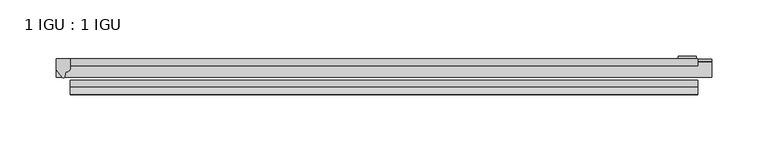
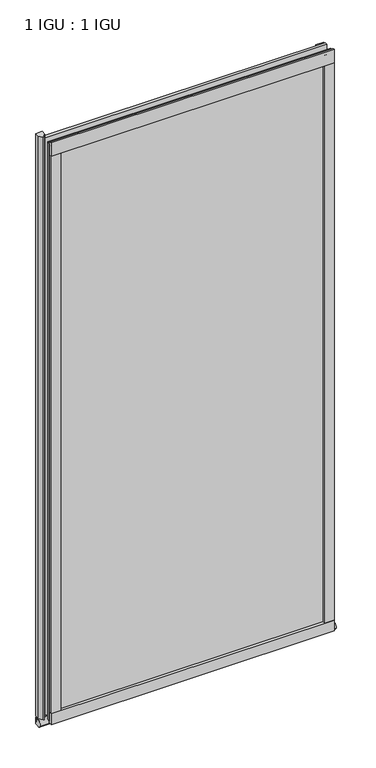
"""IFC4 building model written with IfcOpenShell, lengths in millimetres: plate geometry, 1 IGU : 1 IGU."""

import ifcopenshell
import ifcopenshell.guid

model = None  # the IFC model being written
_history = None  # IfcOwnerHistory: only IFC2X3 demands one
_inside = {}  # id of a spatial element -> (the spatial element, [elements in it])
_under = {}  # id of a project, library or spatial element -> (it, [spatial elements below it])
_declared = {}  # id of a project -> (the project, [libraries it declares])
_typed = {}  # id of a type object -> (the type object, [elements of that type])
_made_of = {}  # id of a material, layer set ... -> (it, [elements and type objects made of it])


def new_model(schema):
    """Start an empty IFC model of exactly this schema.

    Asked for "IFC4X3", IfcOpenShell would pick the latest addendum, in which some entities
    have other attributes; the version numbers below select the first issue.
    IFC2X3 requires an IfcOwnerHistory on every rooted entity: one is made here for all.
    """
    global model, _history
    if schema == "IFC4X3":
        model = ifcopenshell.file(schema_version=(4, 3, 0, 0))
    else:
        model = ifcopenshell.file(schema=schema)
    _inside.clear()
    _under.clear()
    _declared.clear()
    _typed.clear()
    _made_of.clear()
    _history = None
    if model.schema == "IFC2X3":
        org = make("IfcOrganization", Name="unknown")
        user = make(
            "IfcPersonAndOrganization",
            ThePerson=make("IfcPerson", FamilyName="unknown"),
            TheOrganization=org,
        )
        app = make(
            "IfcApplication",
            ApplicationDeveloper=org,
            Version="unknown",
            ApplicationFullName="unknown",
            ApplicationIdentifier="unknown",
        )
        _history = make(
            "IfcOwnerHistory",
            OwningUser=user,
            OwningApplication=app,
            ChangeAction="ADDED",
            CreationDate=0,
        )
    return model


def make(cls, **values):
    """One entity of the class cls with the attributes given. An attribute that is None is left unset."""
    return model.create_entity(
        cls, **{name: value for name, value in values.items() if value is not None}
    )


def rooted(cls, **values):
    """An entity with a GlobalId (a new one), such as an element, a storey or a relation."""
    return make(cls, GlobalId=ifcopenshell.guid.new(), OwnerHistory=_history, **values)


def si_unit(unit_type, name, prefix=None):
    """IfcSIUnit, for example si_unit("LENGTHUNIT", "METRE", prefix="MILLI")."""
    return make("IfcSIUnit", UnitType=unit_type, Prefix=prefix, Name=name)


def assignment(units):
    """IfcUnitAssignment: the units of a project."""
    return None if units is None else make("IfcUnitAssignment", Units=units)


def point(xyz):
    """IfcCartesianPoint."""
    return None if xyz is None else make("IfcCartesianPoint", Coordinates=xyz)


def direction(xyz):
    """IfcDirection."""
    return None if xyz is None else make("IfcDirection", DirectionRatios=xyz)


def frame(location, z_axis=None, x_axis=None):
    """IfcAxis2Placement3D, a coordinate frame: its origin and axes. An axis left out is left unset."""
    return make(
        "IfcAxis2Placement3D",
        Location=point(location),
        Axis=direction(z_axis),
        RefDirection=direction(x_axis),
    )


def frame_2d(location, x_axis=None):
    """IfcAxis2Placement2D, a coordinate frame in the plane: its origin and x axis."""
    return make(
        "IfcAxis2Placement2D", Location=point(location), RefDirection=direction(x_axis)
    )


def origin():
    """The frame at (0, 0, 0) with its axes left unset."""
    return frame((0.0, 0.0, 0.0))


def place(relative_to, where):
    """IfcLocalPlacement: puts the frame where relative to a parent placement (None: the world)."""
    return make(
        "IfcLocalPlacement", PlacementRelTo=relative_to, RelativePlacement=where
    )


def context(
    kind, dimensions, precision=None, world=None, true_north=None, identifier=None
):
    """IfcGeometricRepresentationContext, for example the 3D "Model" context."""
    return make(
        "IfcGeometricRepresentationContext",
        ContextIdentifier=identifier,
        ContextType=kind,
        CoordinateSpaceDimension=dimensions,
        Precision=precision,
        WorldCoordinateSystem=world,
        TrueNorth=true_north,
    )


def project(units=None, contexts=None):
    """IfcProject with its units and contexts."""
    return rooted(
        "IfcProject",
        Name="project",
        RepresentationContexts=contexts,
        UnitsInContext=assignment(units),
    )


def spatial(cls, under=None, at=None, **own):
    """A site, building, storey or space (cls), placed at a placement, below another one or the project."""
    s = rooted(cls, ObjectPlacement=at, **own)
    if under is not None:
        _under.setdefault(under.id(), (under, []))[1].append(s)
    return s


def polyline(points):
    """IfcPolyline through the points."""
    return make("IfcPolyline", Points=[point(p) for p in points])


def circle_curve(where, radius):
    """IfcCircle in the frame where."""
    return make("IfcCircle", Position=where, Radius=radius)


def ellipse_curve(where, semi_axis1, semi_axis2):
    """IfcEllipse in the frame where."""
    return make(
        "IfcEllipse", Position=where, SemiAxis1=semi_axis1, SemiAxis2=semi_axis2
    )


def trimmed(basis, trim1, trim2, sense, master):
    """IfcTrimmedCurve: the piece of a basis curve between two trims."""
    return make(
        "IfcTrimmedCurve",
        BasisCurve=basis,
        Trim1=trim1,
        Trim2=trim2,
        SenseAgreement=sense,
        MasterRepresentation=master,
    )


def segment(curve, same_sense, transition):
    """IfcCompositeCurveSegment."""
    return make(
        "IfcCompositeCurveSegment",
        Transition=transition,
        SameSense=same_sense,
        ParentCurve=curve,
    )


def composite_curve(segments, self_intersect=None):
    """IfcCompositeCurve: segments joined end to end."""
    return make("IfcCompositeCurve", Segments=segments, SelfIntersect=self_intersect)


def outline(outer, holes=None, kind="AREA"):
    """IfcArbitraryClosedProfileDef: a profile drawn as a closed curve; with holes, ...WithVoids."""
    if holes is None:
        return make("IfcArbitraryClosedProfileDef", ProfileType=kind, OuterCurve=outer)
    return make(
        "IfcArbitraryProfileDefWithVoids",
        ProfileType=kind,
        OuterCurve=outer,
        InnerCurves=holes,
    )


def extrude(swept, where, along, depth):
    """IfcExtrudedAreaSolid: the profile swept, set in the frame where, extruded along a direction by depth."""
    return make(
        "IfcExtrudedAreaSolid",
        SweptArea=swept,
        Position=where,
        ExtrudedDirection=direction(along),
        Depth=depth,
    )


def shape(context_of_items, identifier, shape_type, items):
    """IfcShapeRepresentation: the items that make up one representation, for example the "Body"."""
    return make(
        "IfcShapeRepresentation",
        ContextOfItems=context_of_items,
        RepresentationIdentifier=identifier,
        RepresentationType=shape_type,
        Items=items,
    )


def source(mapping_origin, context_of_items, identifier, shape_type, items):
    """IfcRepresentationMap: a shape defined once, which mapped items show again and again."""
    return make(
        "IfcRepresentationMap",
        MappingOrigin=mapping_origin,
        MappedRepresentation=shape(context_of_items, identifier, shape_type, items),
    )


def transform(
    local_origin,
    x_axis=None,
    y_axis=None,
    z_axis=None,
    scale=None,
    scale2=None,
    scale3=None,
    uniform=True,
):
    """IfcCartesianTransformationOperator3D, or its non-uniform kind. x_axis, y_axis, z_axis: its Axis1, 2, 3."""
    if uniform:
        return make(
            "IfcCartesianTransformationOperator3D",
            Axis1=direction(x_axis),
            Axis2=direction(y_axis),
            LocalOrigin=point(local_origin),
            Scale=scale,
            Axis3=direction(z_axis),
        )
    return make(
        "IfcCartesianTransformationOperator3DnonUniform",
        Axis1=direction(x_axis),
        Axis2=direction(y_axis),
        LocalOrigin=point(local_origin),
        Scale=scale,
        Axis3=direction(z_axis),
        Scale2=scale2,
        Scale3=scale3,
    )


def mapped(mapping_source, mapping_target):
    """IfcMappedItem: shows the shape of a source again, moved by a transform."""
    return make(
        "IfcMappedItem", MappingSource=mapping_source, MappingTarget=mapping_target
    )


def made_of(thing, what):
    """Note that an element or type object is made of a material, layer set ...; save() writes the relation."""
    if what is not None:
        _made_of.setdefault(what.id(), (what, []))[1].append(thing)
    return thing


def element(
    cls,
    number,
    at=None,
    inside=None,
    cuts=None,
    type_object=None,
    material=None,
    context=None,
    identifier="Body",
    shape_type=None,
    held_by="IfcProductDefinitionShape",
    body=None,
    shapes=None,
    **own,
):
    """One element of the class cls, such as IfcWall. Its Tag is "e" and its number.

    at: its placement. inside: the storey or other place that contains it. cuts: it is an
    opening in that element (IfcRelVoidsElement). A single representation is given by context,
    identifier, shape_type and body (its items); several are given by shapes. held_by: the class
    of the entity that holds the representations. save() writes the other relations.
    """
    e = rooted(cls, Tag="e%d" % number, ObjectPlacement=at, **own)
    if body is not None:
        shapes = [shape(context, identifier, shape_type, body)]
    if shapes is not None:
        e.Representation = make(held_by, Representations=shapes)
    if inside is not None:
        _inside.setdefault(inside.id(), (inside, []))[1].append(e)
    if cuts is not None:
        rooted(
            "IfcRelVoidsElement", RelatingBuildingElement=cuts, RelatedOpeningElement=e
        )
    if type_object is not None:
        _typed.setdefault(type_object.id(), (type_object, []))[1].append(e)
    return made_of(e, material)


def aggregate(whole, parts):
    """IfcRelAggregates: a whole, such as a stair, and the parts it consists of."""
    return rooted("IfcRelAggregates", RelatingObject=whole, RelatedObjects=parts)


def save(model, path):
    """Write the relations noted so far, then the file.

    IfcRelAggregates (storeys below a building ...), IfcRelContainedInSpatialStructure (elements
    in a storey), IfcRelDefinesByType, IfcRelAssociatesMaterial and IfcRelDeclares: one each for
    every whole, place, type object, material and project.
    """
    for whole, parts in _under.values():
        aggregate(whole, parts)
    for where, things in _inside.values():
        rooted(
            "IfcRelContainedInSpatialStructure",
            RelatedElements=things,
            RelatingStructure=where,
        )
    for kind, things in _typed.values():
        rooted("IfcRelDefinesByType", RelatedObjects=things, RelatingType=kind)
    for what, things in _made_of.values():
        rooted("IfcRelAssociatesMaterial", RelatedObjects=things, RelatingMaterial=what)
    for by, libraries in _declared.values():
        rooted("IfcRelDeclares", RelatingContext=by, RelatedDefinitions=libraries)
    model.write(path)


def plane_surface(at):
    """IfcPlane: the flat surface through the origin of the frame at, square to its z axis."""
    return make("IfcPlane", Position=at)


def revolved_surface(curve, axis_point, axis_direction):
    """IfcSurfaceOfRevolution: the curve turned about the line through axis_point along axis_direction."""
    return make(
        "IfcSurfaceOfRevolution",
        SweptCurve=make("IfcArbitraryOpenProfileDef", ProfileType="CURVE", Curve=curve),
        AxisPosition=make("IfcAxis1Placement", Location=point(axis_point), Axis=direction(axis_direction)),
    )


def extruded_surface(curve, direction_of_extrusion, depth):
    """IfcSurfaceOfLinearExtrusion: the curve pushed along a direction by depth."""
    return make(
        "IfcSurfaceOfLinearExtrusion",
        SweptCurve=make("IfcArbitraryOpenProfileDef", ProfileType="CURVE", Curve=curve),
        ExtrudedDirection=direction(direction_of_extrusion),
        Depth=depth,
    )


def advanced_brep(points, edges, surfaces, faces):
    """IfcAdvancedBrep: a solid bounded by faces that lie on surfaces and meet in shared edges.

    An edge is (start, end): straight between two places in points (the first is 0);
    or (start, end, curve); or (start, end, curve, False) where it runs against its curve.
    A face is (place in surfaces, loops), or (place, loops, False) where it looks against
    its surface's normal. A loop lists edges by number (the first is 1), with a minus sign
    where the edge is run from its end to its start. The first loop is the outer one.
    """
    corners = [point(p) for p in points]
    vertices = [make("IfcVertexPoint", VertexGeometry=c) for c in corners]
    made = []
    for start, end, *more in edges:
        made.append(
            make(
                "IfcEdgeCurve",
                EdgeStart=vertices[start],
                EdgeEnd=vertices[end],
                EdgeGeometry=more[0] if more else make("IfcPolyline", Points=[corners[start], corners[end]]),
                SameSense=more[1] if len(more) > 1 else True,
            )
        )
    hull = []
    for where, loops, *sense in faces:
        bounds = []
        for j, loop in enumerate(loops):
            ring = [make("IfcOrientedEdge", EdgeElement=made[abs(k) - 1], Orientation=k > 0) for k in loop]
            bounds.append(
                make(
                    "IfcFaceOuterBound" if j == 0 else "IfcFaceBound",
                    Bound=make("IfcEdgeLoop", EdgeList=ring),
                    Orientation=True,
                )
            )
        hull.append(make("IfcAdvancedFace", Bounds=bounds, FaceSurface=surfaces[where], SameSense=sense[0] if sense else True))
    return make("IfcAdvancedBrep", Outer=make("IfcClosedShell", CfsFaces=hull))


def plate_1_igu_1_igu_eda463a3(model_context):
    return source(origin(), model_context, "Body", "SolidModel", [
        extrude(outline(polyline([(278.9031125, 0.0021347), (278.9031125, -6.2992), (-278.9031125, -6.2992), (-278.9031125, 0.0021347), (278.9031125, 0.0021347)])), frame((0.0, 0.0, -19.05), z_axis=(0.0, 0.0, 1.0), x_axis=(1.0, 0.0, 0.0)), (0.0, 0.0, 1.0), 1203.325),
        extrude(outline(polyline([(-278.9031125, -19.0986653), (278.9031125, -19.0986653), (278.9031125, -25.3978653), (-278.9031125, -25.3978653), (-278.9031125, -19.0986653)])), frame((0.0, 0.0, -19.05), z_axis=(0.0, 0.0, 1.0), x_axis=(1.0, 0.0, 0.0)), (0.0, 0.0, 1.0), 1203.325),
        advanced_brep(
        [(291.6031125, -2.9334208, -29.3692082), (291.6031125, -15.7658436, -30.8313288), (291.6031125, -6.7904952, -34.925), (291.6031125, 0.0, -34.925), (291.6031125, 0.0, -22.225), (291.6031125, -2.5187477, -22.225), (-291.6031125, -2.9073519, -29.3720514), (-291.6031125, -2.5187477, -22.225), (-291.6031125, 0.0, -22.225), (-291.6031125, 0.0, -34.925), (-291.6031125, -6.7904952, -34.925), (-291.6031125, -15.7658436, -30.8313288)],
        [
            (0, 1, ellipse_curve(frame((291.6031125, -9.5065066, -28.575), z_axis=(1.0, 0.0, 0.0), x_axis=(0.0, 0.0, -1.0)), 6.9638038, 6.6162554)),
            (1, 2, ellipse_curve(frame((291.6031125, -9.5065066, -28.575), z_axis=(1.0, 0.0, 0.0), x_axis=(0.0, 0.0, -1.0)), 6.9638038, 6.6162554)),
            (2, 3),
            (3, 4, circle_curve(frame((291.6031125, 24.1576838, -28.575), z_axis=(-1.0, 0.0, 0.0), x_axis=(0.0, 0.0, 1.0)), 24.9783143)),
            (4, 5),
            (5, 0, circle_curve(frame((291.6031125, -68.4358767, -22.225), z_axis=(-1.0, 0.0, 0.0), x_axis=(0.0, 0.0, 1.0)), 65.917129)),
            (6, 7, circle_curve(frame((-291.6031125, -68.4358767, -22.225), z_axis=(1.0, 0.0, 0.0), x_axis=(0.0, 0.0, 1.0)), 65.917129)),
            (7, 8),
            (8, 9, circle_curve(frame((-291.6031125, 24.1576838, -28.575), z_axis=(1.0, 0.0, 0.0), x_axis=(0.0, 0.0, 1.0)), 24.9783143)),
            (9, 10),
            (10, 11, ellipse_curve(frame((-291.6031125, -9.5065066, -28.575), z_axis=(-1.0, 0.0, 0.0), x_axis=(0.0, 0.0, -1.0)), 6.9638038, 6.6162554)),
            (11, 6, ellipse_curve(frame((-291.6031125, -9.5065066, -28.575), z_axis=(-1.0, 0.0, 0.0), x_axis=(0.0, 0.0, -1.0)), 6.9638038, 6.6162554)),
            (0, 6),
            (11, 1),
            (10, 2),
            (9, 3),
            (8, 4),
            (7, 5),
        ],
        [
            plane_surface(frame((291.6031125, 0.0, -28.575), z_axis=(1.0, 0.0, 0.0), x_axis=(0.0, 1.0, 0.0))),
            plane_surface(frame((-291.6031125, 0.0, -28.575), z_axis=(-1.0, 0.0, 0.0), x_axis=(0.0, 1.0, 0.0))),
            extruded_surface(trimmed(ellipse_curve(frame((-291.6031125, -9.5065066, -28.575), z_axis=(1.0, 0.0, 0.0), x_axis=(0.0, 0.0, -1.0)), 6.9638038, 6.6162554), [point((-291.6031125, -2.9334208, -29.3692082))], [point((-291.6031125, -15.7658436, -30.8313288))], True, "CARTESIAN"), (583.206225, 0.0, 0.0), 583.206225),
            extruded_surface(trimmed(ellipse_curve(frame((-291.6031125, -9.5065066, -28.575), z_axis=(1.0, 0.0, 0.0), x_axis=(0.0, 0.0, -1.0)), 6.9638038, 6.6162554), [point((-291.6031125, -15.7658436, -30.8313288))], [point((-291.6031125, -6.7904952, -34.925))], True, "CARTESIAN"), (583.206225, 0.0, 0.0), 583.206225),
            plane_surface(frame((291.6031125, -6.7904952, -34.925), z_axis=(0.0, 0.0, -1.0), x_axis=(-1.0, 0.0, 0.0))),
            revolved_surface(polyline([(-291.6031125, 24.1576838, -3.5966856999999983), (291.6031125, 24.1576838, -3.5966856999999983)]), (291.6031125, 24.1576838, -28.575), (-1.0, 0.0, 0.0)),
            plane_surface(frame((291.6031125, 0.0, -22.225), z_axis=(0.0, 0.0, 1.0), x_axis=(-1.0, 0.0, 0.0))),
            revolved_surface(polyline([(-291.6031125, -68.4358767, 43.692129), (291.6031125, -68.4358767, 43.692129)]), (291.6031125, -68.4358767, -22.225), (-1.0, 0.0, 0.0)),
        ],
        [
            (0, [[1, 2, 3, 4, 5, 6]]),
            (1, [[7, 8, 9, 10, 11, 12]]),
            (2, [[-1, 13, -12, 14]]),
            (3, [[-2, -14, -11, 15]]),
            (4, [[-3, -15, -10, 16]]),
            (5, [[-4, -16, -9, 17]]),
            (6, [[-5, -17, -8, 18]]),
            (7, [[-6, -18, -7, -13]]),
        ],
    ),
        extrude(outline(composite_curve([segment(polyline([(-278.9031125, 8.8e-06), (-278.9031125, -7.7683362)]), True, "CONTINUOUS"), segment(trimmed(circle_curve(frame_2d((-282.8746104, -7.7683362)), 3.9714979), [point((-278.9031125, -7.7683362))], [point((-283.0020623, -11.7377885))], False, "CARTESIAN"), True, "CONTINUOUS"), segment(polyline([(-283.0020623, -11.7377885), (-283.9820968, -16.012436)]), True, "CONTINUOUS"), segment(trimmed(circle_curve(frame_2d((-285.0833058, -15.7723555)), 1.1270758), [point((-283.9820968, -16.012436))], [point((-286.0371452, -16.372764))], False, "CARTESIAN"), True, "CONTINUOUS"), segment(polyline([(-286.0371452, -16.372764), (-291.6031125, -9.7395025), (-291.6031125, 8.8e-06), (-278.9031125, 8.8e-06)]), True, "CONTINUOUS")], self_intersect=False)), frame((0.0, 0.0, -19.05), z_axis=(0.0, 0.0, 1.0), x_axis=(1.0, 0.0, 0.0)), (0.0, 0.0, 1.0), 1213.6374),
        extrude(outline(composite_curve([segment(polyline([(-31.75, 0.0), (-25.4, 0.0), (-25.4, -22.225)]), True, "CONTINUOUS"), segment(trimmed(circle_curve(frame_2d((-28.575, -28.9113452)), 7.4018806), [point((-25.4, -22.225))], [point((-31.75, -22.225))], True, "CARTESIAN"), True, "CONTINUOUS"), segment(polyline([(-31.75, -22.225), (-31.75, 0.0)]), True, "CONTINUOUS")], self_intersect=False)), frame((-278.9031125, 0.0, 0.0), z_axis=(1.0, 0.0, 0.0), x_axis=(0.0, 1.0, 0.0)), (0.0, 0.0, 1.0), 557.806225),
        extrude(outline(composite_curve([segment(polyline([(-25.4, 1187.45), (-25.4, 1162.05), (-31.75, 1162.05), (-31.75, 1190.2228973)]), True, "CONTINUOUS"), segment(trimmed(circle_curve(frame_2d((-24.1401272, 1198.9924115)), 11.6109665), [point((-31.75, 1190.2228973))], [point((-25.4, 1187.45))], True, "CARTESIAN"), True, "CONTINUOUS")], self_intersect=False)), frame((-278.9031125, 0.0, 0.0), z_axis=(1.0, 0.0, 0.0), x_axis=(0.0, 1.0, 0.0)), (0.0, 0.0, 1.0), 557.806225),
        extrude(outline(composite_curve([segment(polyline([(259.8531125, -25.4), (278.9031125, -25.4)]), True, "CONTINUOUS"), segment(trimmed(circle_curve(frame_2d((288.3692632, -28.575)), 9.9844196), [point((278.9031125, -25.4))], [point((278.9031125, -31.75))], True, "CARTESIAN"), True, "CONTINUOUS"), segment(polyline([(278.9031125, -31.75), (259.8531125, -31.75), (259.8531125, -25.4)]), True, "CONTINUOUS")], self_intersect=False)), frame((0.0, 0.0, -19.05), z_axis=(0.0, 0.0, 1.0), x_axis=(1.0, 0.0, 0.0)), (0.0, 0.0, 1.0), 1203.325),
        extrude(outline(polyline([(277.6966125, 2.2860088), (277.6966125, 0.0021347), (261.8216125, 0.0021347), (261.8216125, 2.2860088), (277.6966125, 2.2860088)])), frame((0.0, 0.0, -19.05), z_axis=(0.0, 0.0, 1.0), x_axis=(1.0, 0.0, 0.0)), (0.0, 0.0, 1.0), 1203.325),
        extrude(outline(composite_curve([segment(trimmed(circle_curve(frame_2d((-288.3692632, -28.575)), 9.9844196), [point((-278.9031125, -31.75))], [point((-278.9031125, -25.4))], True, "CARTESIAN"), True, "CONTINUOUS"), segment(polyline([(-278.9031125, -25.4), (-259.8531125, -25.4), (-259.8531125, -31.75), (-278.9031125, -31.75)]), True, "CONTINUOUS")], self_intersect=False)), frame((0.0, 0.0, -19.05), z_axis=(0.0, 0.0, 1.0), x_axis=(1.0, 0.0, 0.0)), (0.0, 0.0, 1.0), 1203.325),
    ])


if __name__ == "__main__":
    model = new_model("IFC4")
    model_context = context("Model", 3, world=origin())
    ifc_project = project(units=[si_unit("LENGTHUNIT", "METRE", prefix="MILLI")], contexts=[model_context])
    site = spatial("IfcSite", under=ifc_project)
    building = spatial("IfcBuilding", under=site)
    placement = place(None, origin())
    plate_1_igu_1_igu_shape = plate_1_igu_1_igu_eda463a3(model_context)
    element("IfcPlate", 1, ObjectType="1 IGU : 1 IGU", at=placement, inside=building, context=model_context, shape_type="MappedRepresentation", body=[
        mapped(plate_1_igu_1_igu_shape, transform((0.0, 0.0, 0.0), x_axis=(1.0, 0.0, 0.0), y_axis=(0.0, 1.0, 0.0), z_axis=(0.0, 0.0, 1.0))),
    ])
    save(model, "model.ifc")
